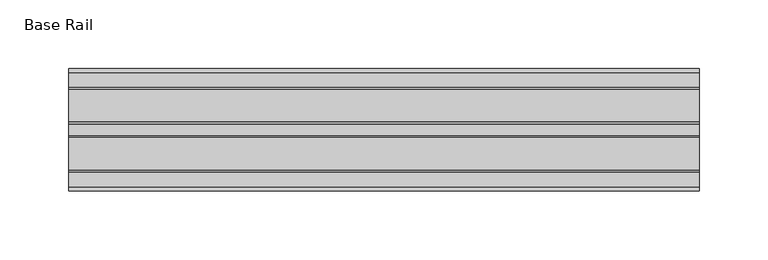
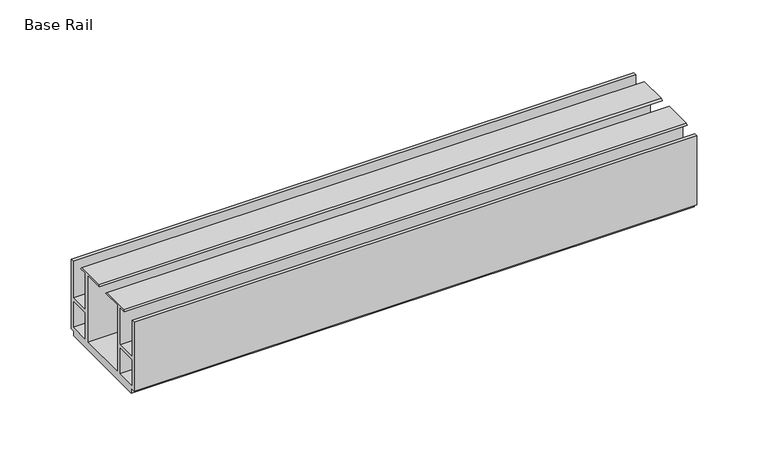
"""IFC4 building model written with IfcOpenShell, lengths in millimetres: furniture geometry, Base Rail."""

from ifc_helpers import new_model, si_unit, frame, origin, place, context, project, spatial, polyline, outline, extrude, source, transform, mapped, element, save


def base_rail_a98e43b8(model_context):
    return source(origin(), model_context, "Body", "SweptSolid", [
        extrude(outline(polyline([(-28.948195, 4.0000001), (-28.948195, 63.5), (-26.1481963, 63.5), (-26.1481963, 32.0000002), (-9.1450707, 32.0000002), (-9.1450707, 29.4000001), (-26.1481963, 29.4000001), (-26.1481963, 6.6000002), (-8.7481957, 6.6000002), (-8.7481957, 63.9424102), (-15.1141535, 63.9424102), (-13.9690637, 65.0875), (9.9171991, 65.0875), (11.062289, 63.9424102), (-5.4481956, 63.9424102), (-5.4481956, 6.6000002), (36.4518057, 6.6000002), (36.4518057, 63.9424102), (19.9413211, 63.9424102), (21.086411, 65.0875), (44.9726737, 65.0875), (46.1177636, 63.9424102), (39.7518058, 63.9424102), (39.7518058, 6.6000002), (57.1518064, 6.6000002), (57.1518064, 29.4000001), (40.1486808, 29.4000001), (40.1486808, 32.0000002), (57.1518064, 32.0000002), (57.1518064, 63.5), (59.951805, 63.5), (59.951805, 4.0000001), (55.9518063, 4.0000001), (55.9518063, 0.0), (-24.9481962, 0.0), (-24.9481962, 4.0000001), (-28.948195, 4.0000001)])), frame((-198.6228469, 0.0, 0.0), z_axis=(1.0, 0.0, 0.0), x_axis=(0.0, 1.0, 0.0)), (0.0, 0.0, 1.0), 457.2),
    ])


if __name__ == "__main__":
    model = new_model("IFC4")
    model_context = context("Model", 3, world=origin())
    ifc_project = project(units=[si_unit("LENGTHUNIT", "METRE", prefix="MILLI")], contexts=[model_context])
    site = spatial("IfcSite", under=ifc_project)
    building = spatial("IfcBuilding", under=site)
    placement = place(None, origin())
    base_rail_shape = base_rail_a98e43b8(model_context)
    element("IfcFurniture", 1, ObjectType="Base Rail", at=placement, inside=building, context=model_context, shape_type="MappedRepresentation", body=[
        mapped(base_rail_shape, transform((0.0, 0.0, 0.0), x_axis=(1.0, 0.0, 0.0), y_axis=(0.0, 1.0, 0.0), z_axis=(0.0, 0.0, 1.0))),
    ])
    save(model, "model.ifc")
